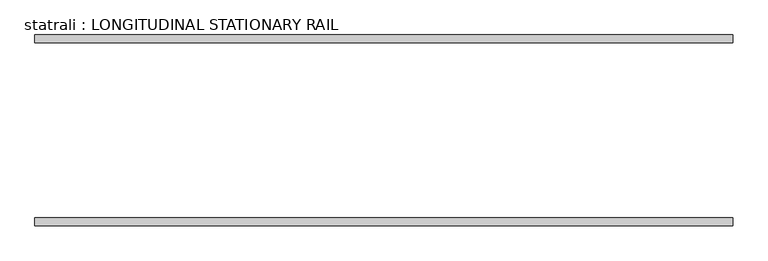
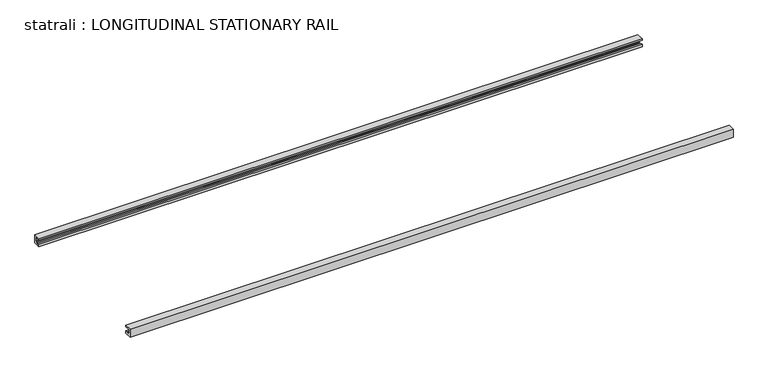
"""IFC4 building model written with IfcOpenShell, lengths in millimetres: proxy geometry, statrali : LONGITUDINAL STATIONARY RAIL."""

from ifc_helpers import new_model, si_unit, frame, origin, place, context, project, spatial, polyline, outline, extrude, source, transform, mapped, element, save


def statrali_longitudinal_stationary_rail_abe8c07b(model_context):
    return source(origin(), model_context, "Body", "SweptSolid", [
        extrude(outline(polyline([(-2586.5970657, 2743.2), (-2523.0970657, 2743.2), (-2523.0970657, 2729.5879123), (-2575.6845024, 2729.5879123), (-2575.6845024, 2689.9004123), (-2566.8437974, 2689.9004123), (-2566.8437974, 2680.2041551), (-2540.1362759, 2680.2041551), (-2540.1362759, 2689.9004123), (-2523.0970657, 2689.9004123), (-2523.0970657, 2667.0), (-2586.5970657, 2667.0), (-2586.5970657, 2743.2)])), frame((-8.9987289, 0.0, 0.0), z_axis=(1.0, 0.0, 0.0), x_axis=(0.0, 1.0, 0.0)), (0.0, 0.0, 1.0), 5486.4),
        extrude(outline(polyline([(-1087.9970657, 2743.2), (-1087.9970657, 2667.0), (-1151.4970657, 2667.0), (-1151.4970657, 2689.9004123), (-1134.4578554, 2689.9004123), (-1134.4578554, 2680.2041551), (-1107.750334, 2680.2041551), (-1107.750334, 2689.9004123), (-1098.9096289, 2689.9004123), (-1098.9096289, 2729.5879123), (-1151.4970657, 2729.5879123), (-1151.4970657, 2743.2), (-1087.9970657, 2743.2)])), frame((-8.9987289, 0.0, 0.0), z_axis=(1.0, 0.0, 0.0), x_axis=(0.0, 1.0, 0.0)), (0.0, 0.0, 1.0), 5486.4),
    ])


if __name__ == "__main__":
    model = new_model("IFC4")
    model_context = context("Model", 3, world=origin())
    ifc_project = project(units=[si_unit("LENGTHUNIT", "METRE", prefix="MILLI")], contexts=[model_context])
    site = spatial("IfcSite", under=ifc_project)
    building = spatial("IfcBuilding", under=site)
    placement = place(None, origin())
    statrali_longitudinal_stationary_rail_shape = statrali_longitudinal_stationary_rail_abe8c07b(model_context)
    element("IfcBuildingElementProxy", 1, Name="statrali : LONGITUDINAL STATIONARY RAIL", ObjectType="statrali : LONGITUDINAL STATIONARY RAIL", at=placement, inside=building, context=model_context, shape_type="MappedRepresentation", body=[
        mapped(statrali_longitudinal_stationary_rail_shape, transform((0.0, 0.0, 0.0), x_axis=(1.0, 0.0, 0.0), y_axis=(0.0, 1.0, 0.0), z_axis=(0.0, 0.0, 1.0))),
    ])
    save(model, "model.ifc")
